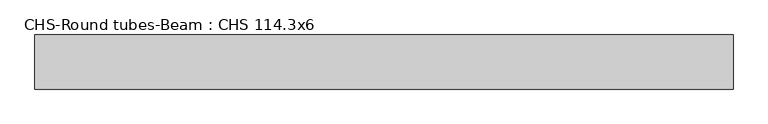
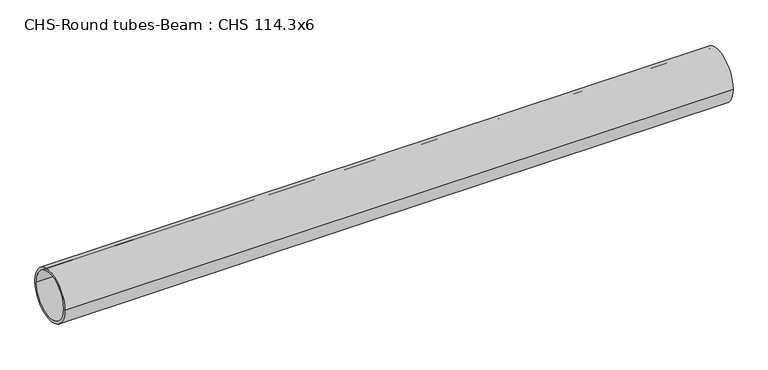
"""IFC4 building model written with IfcOpenShell, lengths in millimetres: beam geometry, CHS-Round tubes-Beam : CHS 114.3x6."""

import ifcopenshell
import ifcopenshell.guid

model = None  # the IFC model being written
_history = None  # IfcOwnerHistory: only IFC2X3 demands one
_inside = {}  # id of a spatial element -> (the spatial element, [elements in it])
_under = {}  # id of a project, library or spatial element -> (it, [spatial elements below it])
_declared = {}  # id of a project -> (the project, [libraries it declares])
_typed = {}  # id of a type object -> (the type object, [elements of that type])
_made_of = {}  # id of a material, layer set ... -> (it, [elements and type objects made of it])


def new_model(schema):
    """Start an empty IFC model of exactly this schema.

    Asked for "IFC4X3", IfcOpenShell would pick the latest addendum, in which some entities
    have other attributes; the version numbers below select the first issue.
    IFC2X3 requires an IfcOwnerHistory on every rooted entity: one is made here for all.
    """
    global model, _history
    if schema == "IFC4X3":
        model = ifcopenshell.file(schema_version=(4, 3, 0, 0))
    else:
        model = ifcopenshell.file(schema=schema)
    _inside.clear()
    _under.clear()
    _declared.clear()
    _typed.clear()
    _made_of.clear()
    _history = None
    if model.schema == "IFC2X3":
        org = make("IfcOrganization", Name="unknown")
        user = make(
            "IfcPersonAndOrganization",
            ThePerson=make("IfcPerson", FamilyName="unknown"),
            TheOrganization=org,
        )
        app = make(
            "IfcApplication",
            ApplicationDeveloper=org,
            Version="unknown",
            ApplicationFullName="unknown",
            ApplicationIdentifier="unknown",
        )
        _history = make(
            "IfcOwnerHistory",
            OwningUser=user,
            OwningApplication=app,
            ChangeAction="ADDED",
            CreationDate=0,
        )
    return model


def make(cls, **values):
    """One entity of the class cls with the attributes given. An attribute that is None is left unset."""
    return model.create_entity(
        cls, **{name: value for name, value in values.items() if value is not None}
    )


def rooted(cls, **values):
    """An entity with a GlobalId (a new one), such as an element, a storey or a relation."""
    return make(cls, GlobalId=ifcopenshell.guid.new(), OwnerHistory=_history, **values)


def si_unit(unit_type, name, prefix=None):
    """IfcSIUnit, for example si_unit("LENGTHUNIT", "METRE", prefix="MILLI")."""
    return make("IfcSIUnit", UnitType=unit_type, Prefix=prefix, Name=name)


def assignment(units):
    """IfcUnitAssignment: the units of a project."""
    return None if units is None else make("IfcUnitAssignment", Units=units)


def point(xyz):
    """IfcCartesianPoint."""
    return None if xyz is None else make("IfcCartesianPoint", Coordinates=xyz)


def direction(xyz):
    """IfcDirection."""
    return None if xyz is None else make("IfcDirection", DirectionRatios=xyz)


def frame(location, z_axis=None, x_axis=None):
    """IfcAxis2Placement3D, a coordinate frame: its origin and axes. An axis left out is left unset."""
    return make(
        "IfcAxis2Placement3D",
        Location=point(location),
        Axis=direction(z_axis),
        RefDirection=direction(x_axis),
    )


def frame_2d(location, x_axis=None):
    """IfcAxis2Placement2D, a coordinate frame in the plane: its origin and x axis."""
    return make(
        "IfcAxis2Placement2D", Location=point(location), RefDirection=direction(x_axis)
    )


def origin():
    """The frame at (0, 0, 0) with its axes left unset."""
    return frame((0.0, 0.0, 0.0))


def origin_2d():
    """The frame at (0, 0) in the plane with its x axis left unset."""
    return frame_2d((0.0, 0.0))


def place(relative_to, where):
    """IfcLocalPlacement: puts the frame where relative to a parent placement (None: the world)."""
    return make(
        "IfcLocalPlacement", PlacementRelTo=relative_to, RelativePlacement=where
    )


def context(
    kind, dimensions, precision=None, world=None, true_north=None, identifier=None
):
    """IfcGeometricRepresentationContext, for example the 3D "Model" context."""
    return make(
        "IfcGeometricRepresentationContext",
        ContextIdentifier=identifier,
        ContextType=kind,
        CoordinateSpaceDimension=dimensions,
        Precision=precision,
        WorldCoordinateSystem=world,
        TrueNorth=true_north,
    )


def project(units=None, contexts=None):
    """IfcProject with its units and contexts."""
    return rooted(
        "IfcProject",
        Name="project",
        RepresentationContexts=contexts,
        UnitsInContext=assignment(units),
    )


def spatial(cls, under=None, at=None, **own):
    """A site, building, storey or space (cls), placed at a placement, below another one or the project."""
    s = rooted(cls, ObjectPlacement=at, **own)
    if under is not None:
        _under.setdefault(under.id(), (under, []))[1].append(s)
    return s


def circle_curve(where, radius):
    """IfcCircle in the frame where."""
    return make("IfcCircle", Position=where, Radius=radius)


def trimmed(basis, trim1, trim2, sense, master):
    """IfcTrimmedCurve: the piece of a basis curve between two trims."""
    return make(
        "IfcTrimmedCurve",
        BasisCurve=basis,
        Trim1=trim1,
        Trim2=trim2,
        SenseAgreement=sense,
        MasterRepresentation=master,
    )


def segment(curve, same_sense, transition):
    """IfcCompositeCurveSegment."""
    return make(
        "IfcCompositeCurveSegment",
        Transition=transition,
        SameSense=same_sense,
        ParentCurve=curve,
    )


def composite_curve(segments, self_intersect=None):
    """IfcCompositeCurve: segments joined end to end."""
    return make("IfcCompositeCurve", Segments=segments, SelfIntersect=self_intersect)


def outline(outer, holes=None, kind="AREA"):
    """IfcArbitraryClosedProfileDef: a profile drawn as a closed curve; with holes, ...WithVoids."""
    if holes is None:
        return make("IfcArbitraryClosedProfileDef", ProfileType=kind, OuterCurve=outer)
    return make(
        "IfcArbitraryProfileDefWithVoids",
        ProfileType=kind,
        OuterCurve=outer,
        InnerCurves=holes,
    )


def extrude(swept, where, along, depth):
    """IfcExtrudedAreaSolid: the profile swept, set in the frame where, extruded along a direction by depth."""
    return make(
        "IfcExtrudedAreaSolid",
        SweptArea=swept,
        Position=where,
        ExtrudedDirection=direction(along),
        Depth=depth,
    )


def shape(context_of_items, identifier, shape_type, items):
    """IfcShapeRepresentation: the items that make up one representation, for example the "Body"."""
    return make(
        "IfcShapeRepresentation",
        ContextOfItems=context_of_items,
        RepresentationIdentifier=identifier,
        RepresentationType=shape_type,
        Items=items,
    )


def source(mapping_origin, context_of_items, identifier, shape_type, items):
    """IfcRepresentationMap: a shape defined once, which mapped items show again and again."""
    return make(
        "IfcRepresentationMap",
        MappingOrigin=mapping_origin,
        MappedRepresentation=shape(context_of_items, identifier, shape_type, items),
    )


def transform(
    local_origin,
    x_axis=None,
    y_axis=None,
    z_axis=None,
    scale=None,
    scale2=None,
    scale3=None,
    uniform=True,
):
    """IfcCartesianTransformationOperator3D, or its non-uniform kind. x_axis, y_axis, z_axis: its Axis1, 2, 3."""
    if uniform:
        return make(
            "IfcCartesianTransformationOperator3D",
            Axis1=direction(x_axis),
            Axis2=direction(y_axis),
            LocalOrigin=point(local_origin),
            Scale=scale,
            Axis3=direction(z_axis),
        )
    return make(
        "IfcCartesianTransformationOperator3DnonUniform",
        Axis1=direction(x_axis),
        Axis2=direction(y_axis),
        LocalOrigin=point(local_origin),
        Scale=scale,
        Axis3=direction(z_axis),
        Scale2=scale2,
        Scale3=scale3,
    )


def mapped(mapping_source, mapping_target):
    """IfcMappedItem: shows the shape of a source again, moved by a transform."""
    return make(
        "IfcMappedItem", MappingSource=mapping_source, MappingTarget=mapping_target
    )


def made_of(thing, what):
    """Note that an element or type object is made of a material, layer set ...; save() writes the relation."""
    if what is not None:
        _made_of.setdefault(what.id(), (what, []))[1].append(thing)
    return thing


def element(
    cls,
    number,
    at=None,
    inside=None,
    cuts=None,
    type_object=None,
    material=None,
    context=None,
    identifier="Body",
    shape_type=None,
    held_by="IfcProductDefinitionShape",
    body=None,
    shapes=None,
    **own,
):
    """One element of the class cls, such as IfcWall. Its Tag is "e" and its number.

    at: its placement. inside: the storey or other place that contains it. cuts: it is an
    opening in that element (IfcRelVoidsElement). A single representation is given by context,
    identifier, shape_type and body (its items); several are given by shapes. held_by: the class
    of the entity that holds the representations. save() writes the other relations.
    """
    e = rooted(cls, Tag="e%d" % number, ObjectPlacement=at, **own)
    if body is not None:
        shapes = [shape(context, identifier, shape_type, body)]
    if shapes is not None:
        e.Representation = make(held_by, Representations=shapes)
    if inside is not None:
        _inside.setdefault(inside.id(), (inside, []))[1].append(e)
    if cuts is not None:
        rooted(
            "IfcRelVoidsElement", RelatingBuildingElement=cuts, RelatedOpeningElement=e
        )
    if type_object is not None:
        _typed.setdefault(type_object.id(), (type_object, []))[1].append(e)
    return made_of(e, material)


def aggregate(whole, parts):
    """IfcRelAggregates: a whole, such as a stair, and the parts it consists of."""
    return rooted("IfcRelAggregates", RelatingObject=whole, RelatedObjects=parts)


def save(model, path):
    """Write the relations noted so far, then the file.

    IfcRelAggregates (storeys below a building ...), IfcRelContainedInSpatialStructure (elements
    in a storey), IfcRelDefinesByType, IfcRelAssociatesMaterial and IfcRelDeclares: one each for
    every whole, place, type object, material and project.
    """
    for whole, parts in _under.values():
        aggregate(whole, parts)
    for where, things in _inside.values():
        rooted(
            "IfcRelContainedInSpatialStructure",
            RelatedElements=things,
            RelatingStructure=where,
        )
    for kind, things in _typed.values():
        rooted("IfcRelDefinesByType", RelatedObjects=things, RelatingType=kind)
    for what, things in _made_of.values():
        rooted("IfcRelAssociatesMaterial", RelatedObjects=things, RelatingMaterial=what)
    for by, libraries in _declared.values():
        rooted("IfcRelDeclares", RelatingContext=by, RelatedDefinitions=libraries)
    model.write(path)


def chs_round_tubes_beam_chs_114_3x6_d262ed5b(model_context):
    return source(origin(), model_context, "Body", "SweptSolid", [
        extrude(outline(composite_curve([segment(trimmed(circle_curve(origin_2d(), 57.15), [point((57.15, 0.0))], [point((-57.15, 0.0))], False, "CARTESIAN"), True, "CONTINUOUS"), segment(trimmed(circle_curve(origin_2d(), 57.15), [point((-57.15, 0.0))], [point((57.15, 0.0))], False, "CARTESIAN"), True, "CONTINUOUS")], self_intersect=False), holes=[composite_curve([segment(trimmed(circle_curve(origin_2d(), 51.15), [point((51.15, 0.0))], [point((-51.15, 0.0))], True, "CARTESIAN"), True, "CONTINUOUS"), segment(trimmed(circle_curve(origin_2d(), 51.15), [point((-51.15, 0.0))], [point((51.15, 0.0))], True, "CARTESIAN"), True, "CONTINUOUS")], self_intersect=False)]), frame((-762.0043556, 0.0, 0.0), z_axis=(1.0, 0.0, 0.0), x_axis=(0.0, 1.0, 0.0)), (0.0, 0.0, 1.0), 1473.5948049),
    ])


if __name__ == "__main__":
    model = new_model("IFC4")
    model_context = context("Model", 3, world=origin())
    ifc_project = project(units=[si_unit("LENGTHUNIT", "METRE", prefix="MILLI")], contexts=[model_context])
    site = spatial("IfcSite", under=ifc_project)
    building = spatial("IfcBuilding", under=site)
    placement = place(None, origin())
    chs_round_tubes_beam_chs_114_3x6_shape = chs_round_tubes_beam_chs_114_3x6_d262ed5b(model_context)
    element("IfcBeam", 1, ObjectType="CHS-Round tubes-Beam : CHS 114.3x6", at=placement, inside=building, context=model_context, shape_type="MappedRepresentation", body=[
        mapped(chs_round_tubes_beam_chs_114_3x6_shape, transform((0.0, 0.0, 0.0), x_axis=(1.0, 0.0, 0.0), y_axis=(0.0, 1.0, 0.0), z_axis=(0.0, 0.0, 1.0))),
    ])
    save(model, "model.ifc")
